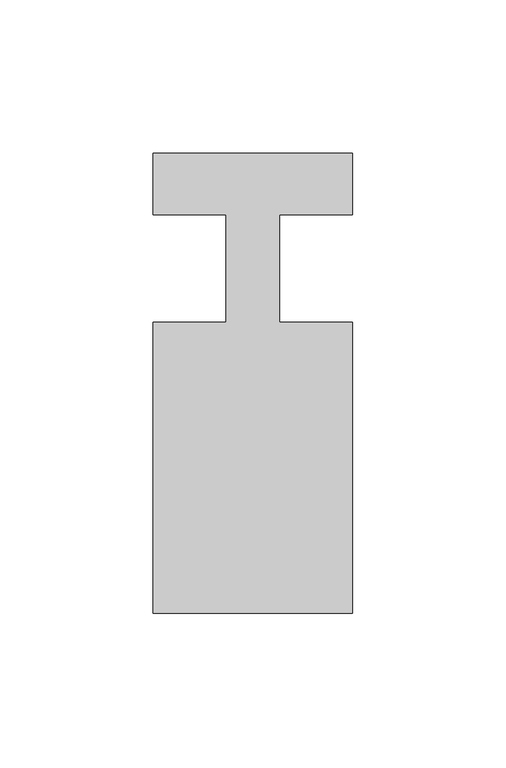
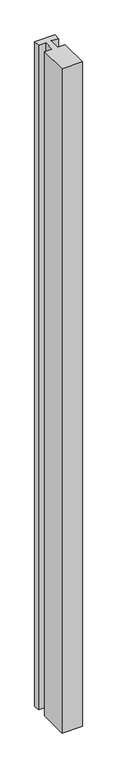
"""IFC4 building model written with IfcOpenShell, lengths in millimetres: member geometry."""

from ifc_helpers import new_model, si_unit, frame, origin, place, context, project, spatial, polyline, outline, extrude, source, transform, mapped, element, save


def member_2c1714b5(model_context):
    return source(origin(), model_context, "Body", "SweptSolid", [
        extrude(outline(polyline([(-32.5, 37.0), (32.5, 37.0), (32.5, 17.0), (8.6875, 17.0), (8.6875, -18.0), (32.5, -18.0), (32.5, -113.0), (-32.5, -113.0), (-32.5, -18.0), (-8.6875, -18.0), (-8.6875, 17.0), (-32.5, 17.0), (-32.5, 37.0)])), frame((0.0, 0.0, -2235.0), z_axis=(0.0, 0.0, 1.0), x_axis=(1.0, 0.0, 0.0)), (0.0, 0.0, 1.0), 2235.0),
    ])


if __name__ == "__main__":
    model = new_model("IFC4")
    model_context = context("Model", 3, world=origin())
    ifc_project = project(units=[si_unit("LENGTHUNIT", "METRE", prefix="MILLI")], contexts=[model_context])
    site = spatial("IfcSite", under=ifc_project)
    building = spatial("IfcBuilding", under=site)
    placement = place(None, origin())
    member_shape = member_2c1714b5(model_context)
    element("IfcMember", 1, at=placement, inside=building, context=model_context, shape_type="MappedRepresentation", body=[
        mapped(member_shape, transform((0.0, 0.0, 0.0), x_axis=(1.0, 0.0, 0.0), y_axis=(0.0, 1.0, 0.0), z_axis=(0.0, 0.0, 1.0))),
    ])
    save(model, "model.ifc")
